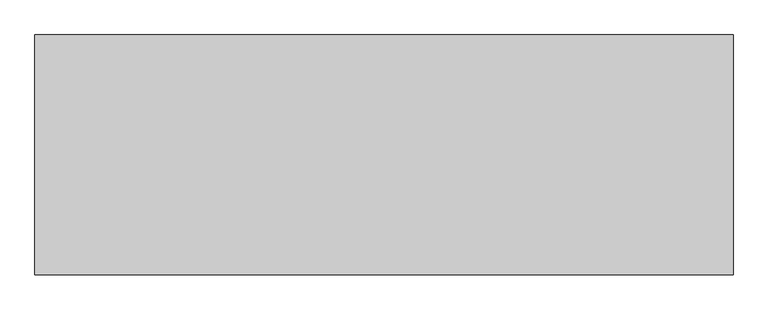
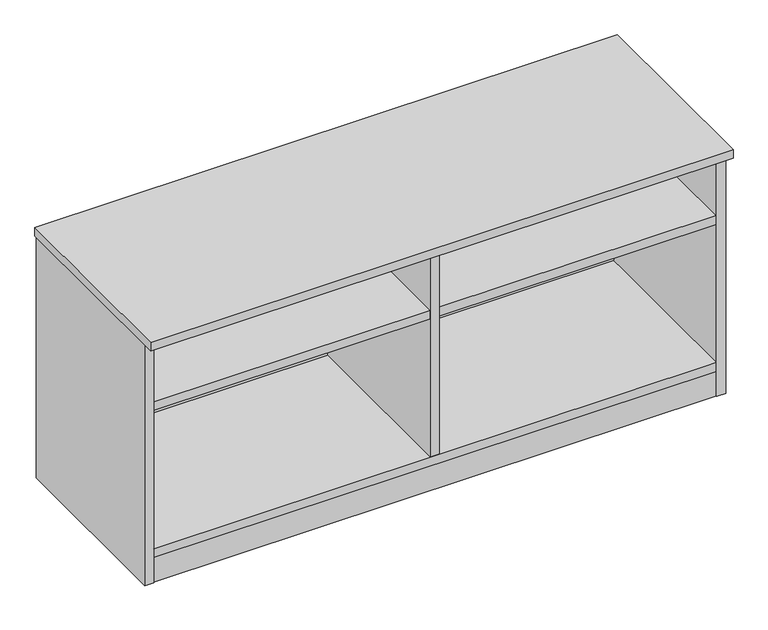
"""IFC4 building model written with IfcOpenShell, lengths in millimetres: furniture geometry."""

from ifc_helpers import new_model, si_unit, frame, origin, origin_with_axes, place, context, project, spatial, polyline, outline, extrude, source, transform, mapped, element, save


def furniture_c35ee412(model_context):
    return source(origin(), model_context, "Body", "SweptSolid", [
        extrude(outline(polyline([(1156.8692022, -345.6355984), (1172.81706, -336.4280984), (1188.7649178, -345.6355984), (1188.7649178, -364.0505984), (1172.81706, -373.2580984), (1156.8692022, -364.0505984), (1156.8692022, -345.6355984)])), origin_with_axes(), (0.0, 0.0, 1.0), 9.144),
        extrude(outline(polyline([(1156.8692022, -47.1181713), (1172.81706, -37.9106713), (1188.7649178, -47.1181713), (1188.7649178, -65.5331713), (1172.81706, -74.7406713), (1156.8692022, -65.5331713), (1156.8692022, -47.1181713)])), origin_with_axes(), (0.0, 0.0, 1.0), 9.144),
        extrude(outline(polyline([(30.4350822, -345.6355984), (46.38294, -336.4280984), (62.3307978, -345.6355984), (62.3307978, -364.0505984), (46.38294, -373.2580984), (30.4350822, -364.0505984), (30.4350822, -345.6355984)])), origin_with_axes(), (0.0, 0.0, 1.0), 9.144),
        extrude(outline(polyline([(30.4350822, -47.1181713), (46.38294, -37.9106713), (62.3307978, -47.1181713), (62.3307978, -65.5331713), (46.38294, -74.7406713), (30.4350822, -65.5331713), (30.4350822, -47.1181713)])), origin_with_axes(), (0.0, 0.0, 1.0), 9.144),
        extrude(outline(polyline([(619.252, -30.4938704), (1198.3085154, -30.4938704), (1198.3085154, -400.8258374), (619.252, -400.8258374), (619.252, -30.4938704)])), frame((0.0, 0.0, 384.3705787), z_axis=(0.0, 0.0, 1.0), x_axis=(1.0, 0.0, 0.0)), (0.0, 0.0, 1.0), 19.304),
        extrude(outline(polyline([(1198.3085154, -401.5878548), (20.8915005, -401.5878548), (20.8915005, -382.2838548), (1198.3085154, -382.2838548), (1198.3085154, -401.5878548)])), frame((0.0, 0.0, 4.699), z_axis=(0.0, 0.0, 1.0), x_axis=(1.0, 0.0, 0.0)), (0.0, 0.0, 1.0), 55.56758),
        extrude(outline(polyline([(1198.3085154, -30.4938704), (1198.3085154, -402.7308447), (20.8915005, -402.7308447), (20.8915005, -30.4938704), (1198.3085154, -30.4938704)])), frame((0.0, 0.0, 520.1843787), z_axis=(0.0, 0.0, 1.0), x_axis=(1.0, 0.0, 0.0)), (0.0, 0.0, 1.0), 19.304),
        extrude(outline(polyline([(599.948, -30.4938704), (619.252, -30.4938704), (619.252, -401.5878548), (599.948, -401.5878548), (599.948, -30.4938704)])), frame((0.0, 0.0, 79.57058), z_axis=(0.0, 0.0, 1.0), x_axis=(1.0, 0.0, 0.0)), (0.0, 0.0, 1.0), 440.6137987),
        extrude(outline(polyline([(599.948, -30.4938704), (599.948, -400.8258374), (20.8915, -400.8258374), (20.8915, -30.4938704), (599.948, -30.4938704)])), frame((0.0, 0.0, 384.3705787), z_axis=(0.0, 0.0, 1.0), x_axis=(1.0, 0.0, 0.0)), (0.0, 0.0, 1.0), 19.304),
        extrude(outline(polyline([(1219.2, -8.0783713), (1219.2, -427.1783713), (0.0, -427.1783713), (0.0, -8.0783713), (1219.2, -8.0783713)])), frame((0.0, 0.0, 539.4883818), z_axis=(0.0, 0.0, 1.0), x_axis=(1.0, 0.0, 0.0)), (0.0, 0.0, 1.0), 19.0499969),
        extrude(outline(polyline([(1198.3085154, -30.4938704), (1198.3085154, -402.7308447), (20.8915005, -402.7308447), (20.8915005, -30.4938704), (1198.3085154, -30.4938704)])), frame((0.0, 0.0, 60.26658), z_axis=(0.0, 0.0, 1.0), x_axis=(1.0, 0.0, 0.0)), (0.0, 0.0, 1.0), 19.304),
        extrude(outline(polyline([(1198.3085154, -11.1898712), (1198.3085154, -30.4938704), (20.8915005, -30.4938704), (20.8915005, -11.1898712), (1198.3085154, -11.1898712)])), frame((0.0, 0.0, 4.699), z_axis=(0.0, 0.0, 1.0), x_axis=(1.0, 0.0, 0.0)), (0.0, 0.0, 1.0), 534.7893787),
        extrude(outline(polyline([(20.8915005, -9.6658713), (20.8915005, -403.1118534), (1.5875, -403.1118534), (1.5875, -9.6658713), (20.8915005, -9.6658713)])), frame((0.0, 0.0, 4.699), z_axis=(0.0, 0.0, 1.0), x_axis=(1.0, 0.0, 0.0)), (0.0, 0.0, 1.0), 534.7893787),
        extrude(outline(polyline([(1198.3085154, -9.6658713), (1217.6125158, -9.6658713), (1217.6125158, -403.1118534), (1198.3085154, -403.1118534), (1198.3085154, -9.6658713)])), frame((0.0, 0.0, 4.699), z_axis=(0.0, 0.0, 1.0), x_axis=(1.0, 0.0, 0.0)), (0.0, 0.0, 1.0), 534.7893787),
    ])


if __name__ == "__main__":
    model = new_model("IFC4")
    model_context = context("Model", 3, world=origin())
    ifc_project = project(units=[si_unit("LENGTHUNIT", "METRE", prefix="MILLI")], contexts=[model_context])
    site = spatial("IfcSite", under=ifc_project)
    building = spatial("IfcBuilding", under=site)
    placement = place(None, origin())
    furniture_shape = furniture_c35ee412(model_context)
    element("IfcFurniture", 1, at=placement, inside=building, context=model_context, shape_type="MappedRepresentation", body=[
        mapped(furniture_shape, transform((0.0, 0.0, 0.0), x_axis=(1.0, 0.0, 0.0), y_axis=(0.0, 1.0, 0.0), z_axis=(0.0, 0.0, 1.0))),
    ])
    save(model, "model.ifc")
